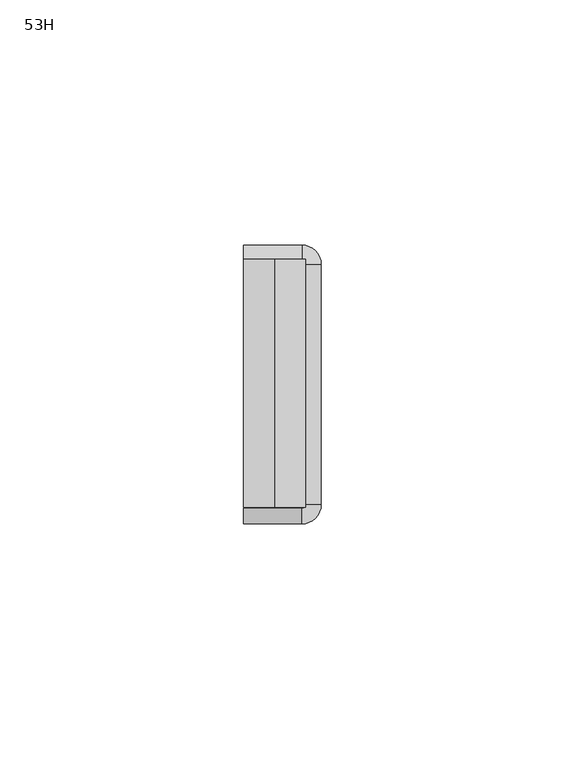
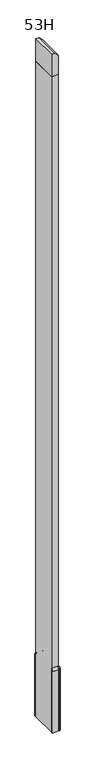
"""IFC4 building model written with IfcOpenShell, lengths in millimetres: furniture geometry, 53H."""

from ifc_helpers import new_model, si_unit, point, frame, origin, place, context, project, spatial, polyline, circle_curve, ellipse_curve, trimmed, outline, extrude, source, transform, mapped, element, save
from ifc_brep_helpers import plane_surface, cylinder_surface, revolved_surface, advanced_brep


def furniture_53h_36f4f35b(model_context):
    return source(origin(), model_context, "Body", "SolidModel", [
        advanced_brep(
        [(1984.8560512, -2420.1637877, 130.97002), (1984.8560512, -2420.1637877, 9.525), (1984.8560512, -2421.7512877, 9.525), (1984.8560512, -2421.7512877, 130.97002), (1984.8560512, -2423.3387877, 134.5628942), (1984.8560512, -2423.3387877, 136.525), (1996.7623012, -2420.1637877, 130.97002), (1996.7623012, -2420.1637877, 9.525), (2000.7310512, -2424.1325377, 9.525), (2000.7310512, -2473.3356635, 9.525), (1996.752927, -2477.3137877, 9.525), (1984.8560512, -2477.3137877, 9.525), (1984.8560512, -2475.7262877, 9.525), (1996.752927, -2475.7262877, 9.525), (1999.1435512, -2473.3356635, 9.525), (1999.1435512, -2424.1325377, 9.525), (1996.7623012, -2421.7512877, 9.525), (1996.7623012, -2421.7512877, 130.97002), (1996.7623012, -2423.3387877, 134.5628942), (1996.7623012, -2423.3387877, 136.525), (2000.7310512, -2424.1325377, 130.97002), (1999.1435512, -2424.1325377, 130.97002), (1997.5560512, -2424.1325377, 134.5628942), (1997.5560512, -2424.1325377, 136.525), (2000.7310512, -2473.3356635, 130.97002), (1999.1435512, -2473.3356635, 130.97002), (1997.5560512, -2473.3356635, 134.5628942), (1997.5560512, -2473.3356635, 136.525), (1996.752927, -2477.3137877, 130.97002), (1996.752927, -2475.7262877, 130.97002), (1996.752927, -2474.1387877, 134.5628942), (1996.752927, -2474.1387877, 136.525), (1984.8560512, -2477.3137877, 130.97002), (1984.8560512, -2474.1387877, 136.525), (1984.8560512, -2474.1387877, 134.5628942), (1984.8560512, -2475.7262877, 130.97002)],
        [
            (0, 1),
            (1, 2),
            (2, 3),
            (3, 4, circle_curve(frame((1984.8560512, -2426.6107842, 130.97002), z_axis=(1.0, 0.0, 0.0), x_axis=(0.0, 1.0, 0.0)), 4.8594965)),
            (4, 5),
            (5, 0, circle_curve(frame((1984.8560512, -2426.6107842, 130.97002), z_axis=(-1.0, 0.0, 0.0), x_axis=(0.0, 1.0, 0.0)), 6.4469965)),
            (0, 6),
            (6, 7),
            (7, 1),
            (7, 8, circle_curve(frame((1996.7623012, -2424.1325377, 9.525), z_axis=(0.0, 0.0, -1.0), x_axis=(0.0, 1.0, 0.0)), 3.96875)),
            (8, 9),
            (9, 10, circle_curve(frame((1996.752927, -2473.3356635, 9.525), z_axis=(0.0, 0.0, -1.0), x_axis=(1.0, 0.0, 0.0)), 3.9781242)),
            (10, 11),
            (11, 12),
            (12, 13),
            (13, 14, circle_curve(frame((1996.752927, -2473.3356635, 9.525), z_axis=(0.0, 0.0, 1.0), x_axis=(1.0, 0.0, 0.0)), 2.3906242)),
            (14, 15),
            (15, 16, circle_curve(frame((1996.7623012, -2424.1325377, 9.525), z_axis=(0.0, 0.0, 1.0), x_axis=(0.0, 1.0, 0.0)), 2.38125)),
            (16, 2),
            (16, 17),
            (17, 3),
            (17, 18, circle_curve(frame((1996.7623012, -2426.6107842, 130.97002), z_axis=(1.0, 0.0, 0.0), x_axis=(0.0, 1.0, 0.0)), 4.8594965)),
            (18, 4),
            (18, 19),
            (19, 5),
            (19, 6, circle_curve(frame((1996.7623012, -2426.6107842, 130.97002), z_axis=(-1.0, 0.0, 0.0), x_axis=(0.0, 1.0, 0.0)), 6.4469965)),
            (6, 20, circle_curve(frame((1996.7623012, -2424.1325377, 130.97002), z_axis=(0.0, 0.0, -1.0), x_axis=(0.0, 1.0, 0.0)), 3.96875)),
            (20, 8),
            (21, 17, circle_curve(frame((1996.7623012, -2424.1325377, 130.97002), z_axis=(0.0, 0.0, 1.0), x_axis=(0.0, 1.0, 0.0)), 2.38125)),
            (15, 21),
            (22, 18, circle_curve(frame((1996.7623012, -2424.1325377, 134.5628942), z_axis=(0.0, 0.0, 1.0), x_axis=(0.0, 1.0, 0.0)), 0.79375)),
            (21, 22, circle_curve(frame((1994.2840547, -2424.1325377, 130.97002), z_axis=(0.0, -1.0, 0.0), x_axis=(1.0, 0.0, 0.0)), 4.8594965)),
            (23, 19, circle_curve(frame((1996.7623012, -2424.1325377, 136.525), z_axis=(0.0, 0.0, 1.0), x_axis=(0.0, 1.0, 0.0)), 0.79375)),
            (22, 23),
            (23, 20, circle_curve(frame((1994.2840547, -2424.1325377, 130.97002), z_axis=(0.0, 1.0, 0.0), x_axis=(1.0, 0.0, 0.0)), 6.4469965)),
            (20, 24),
            (24, 9),
            (14, 25),
            (25, 21),
            (25, 26, circle_curve(frame((1994.2840547, -2473.3356635, 130.97002), z_axis=(0.0, -1.0, 0.0), x_axis=(1.0, 0.0, 0.0)), 4.8594965)),
            (26, 22),
            (26, 27),
            (27, 23),
            (27, 24, circle_curve(frame((1994.2840547, -2473.3356635, 130.97002), z_axis=(0.0, 1.0, 0.0), x_axis=(1.0, 0.0, 0.0)), 6.4469965)),
            (24, 28, circle_curve(frame((1996.752927, -2473.3356635, 130.97002), z_axis=(0.0, 0.0, -1.0), x_axis=(1.0, 0.0, 0.0)), 3.9781242)),
            (28, 10),
            (29, 25, circle_curve(frame((1996.752927, -2473.3356635, 130.97002), z_axis=(0.0, 0.0, 1.0), x_axis=(1.0, 0.0, 0.0)), 2.3906242)),
            (13, 29),
            (30, 26, circle_curve(frame((1996.752927, -2473.3356635, 134.5628942), z_axis=(0.0, 0.0, 1.0), x_axis=(1.0, 0.0, 0.0)), 0.8031242)),
            (29, 30, circle_curve(frame((1996.752927, -2470.8667912, 130.97002), z_axis=(-1.0, 0.0, 0.0), x_axis=(0.0, -1.0, 0.0)), 4.8594965)),
            (31, 27, circle_curve(frame((1996.752927, -2473.3356635, 136.525), z_axis=(0.0, 0.0, 1.0), x_axis=(1.0, 0.0, 0.0)), 0.8031242)),
            (30, 31),
            (31, 28, circle_curve(frame((1996.752927, -2470.8667912, 130.97002), z_axis=(1.0, 0.0, 0.0), x_axis=(0.0, -1.0, 0.0)), 6.4469965)),
            (32, 33, circle_curve(frame((1984.8560512, -2470.8667912, 130.97002), z_axis=(-1.0, 0.0, 0.0), x_axis=(0.0, -1.0, 0.0)), 6.4469965)),
            (33, 34),
            (34, 35, circle_curve(frame((1984.8560512, -2470.8667912, 130.97002), z_axis=(1.0, 0.0, 0.0), x_axis=(0.0, -1.0, 0.0)), 4.8594965)),
            (35, 12),
            (11, 32),
            (28, 32),
            (35, 29),
            (34, 30),
            (33, 31),
        ],
        [
            plane_surface(frame((1984.8560512, -2423.3387877, 0.0), z_axis=(-1.0, 0.0, 0.0), x_axis=(0.0, 0.0, 1.0))),
            plane_surface(frame((1984.8560512, -2420.1637877, 130.97002), z_axis=(0.0, 1.0, 0.0), x_axis=(1.0, 0.0, 0.0))),
            plane_surface(frame((1984.8560512, -2420.1637877, 9.525), z_axis=(0.0, 0.0, -1.0), x_axis=(1.0, 0.0, 0.0))),
            plane_surface(frame((1984.8560512, -2421.7512877, 9.525), z_axis=(0.0, -1.0, 0.0), x_axis=(1.0, 0.0, 0.0))),
            revolved_surface(polyline([(1996.7623012, -2421.7512877, 130.97002), (1984.8560512, -2421.7512877, 130.97002)]), (1984.8560512, -2426.6107842, 130.97002), (1.0, 0.0, 0.0)),
            plane_surface(frame((1984.8560512, -2423.3387877, 134.5628942), z_axis=(0.0, -1.0, 0.0), x_axis=(1.0, 0.0, 0.0))),
            cylinder_surface(frame((1984.8560512, -2426.6107842, 130.97002), z_axis=(-1.0, 0.0, 0.0), x_axis=(0.0, 1.0, 0.0)), 6.4469965),
            cylinder_surface(frame((1996.7623012, -2424.1325377, 0.0), z_axis=(0.0, 0.0, -1.0), x_axis=(0.0, 1.0, 0.0)), 3.96875),
            revolved_surface(polyline([(1996.7623012, -2421.7512877, 9.525), (1996.7623012, -2421.7512877, 130.97002)]), (1996.7623012, -2424.1325377, 0.0), (0.0, 0.0, -1.0)),
            revolved_surface(trimmed(ellipse_curve(frame((1996.7623012, -2426.6107842, 130.97002), z_axis=(1.0, 0.0, 0.0), x_axis=(0.0, 1.0, 0.0)), 4.8594965, 4.8594965), [point((1996.7623012, -2421.7512877, 130.97002))], [point((1996.7623012, -2423.3387877, 134.5628942))], True, "CARTESIAN"), (1996.7623012, -2424.1325377, 0.0), (0.0, 0.0, -1.0)),
            revolved_surface(polyline([(1996.7623012, -2423.3387877, 134.5628942), (1996.7623012, -2423.3387877, 136.525)]), (1996.7623012, -2424.1325377, 0.0), (0.0, 0.0, -1.0)),
            revolved_surface(trimmed(ellipse_curve(frame((1996.7623012, -2426.6107842, 130.97002), z_axis=(-1.0, 0.0, 0.0), x_axis=(0.0, 1.0, 0.0)), 6.4469965, 6.4469965), [point((1996.7623012, -2423.3387877, 136.525))], [point((1996.7623012, -2420.1637877, 130.97002))], True, "CARTESIAN"), (1996.7623012, -2424.1325377, 0.0), (0.0, 0.0, -1.0)),
            plane_surface(frame((2000.7310512, -2424.1325377, 130.97002), z_axis=(1.0, 0.0, 0.0), x_axis=(0.0, -1.0, 0.0))),
            plane_surface(frame((1999.1435512, -2424.1325377, 9.525), z_axis=(-1.0, 0.0, 0.0), x_axis=(0.0, -1.0, 0.0))),
            revolved_surface(polyline([(1999.1435512, -2473.3356635, 130.97002), (1999.1435512, -2424.1325377, 130.97002)]), (1994.2840547, -2424.1325377, 130.97002), (0.0, -1.0, 0.0)),
            plane_surface(frame((1997.5560512, -2424.1325377, 134.5628942), z_axis=(-1.0, 0.0, 0.0), x_axis=(0.0, -1.0, 0.0))),
            cylinder_surface(frame((1994.2840547, -2424.1325377, 130.97002), z_axis=(0.0, 1.0, 0.0), x_axis=(1.0, 0.0, 0.0)), 6.4469965),
            cylinder_surface(frame((1996.752927, -2473.3356635, 0.0), z_axis=(0.0, 0.0, -1.0), x_axis=(1.0, 0.0, 0.0)), 3.9781242),
            revolved_surface(polyline([(1999.1435512, -2473.3356635, 9.525), (1999.1435512, -2473.3356635, 130.97002)]), (1996.752927, -2473.3356635, 0.0), (0.0, 0.0, -1.0)),
            revolved_surface(trimmed(ellipse_curve(frame((1994.2840547, -2473.3356635, 130.97002), z_axis=(0.0, -1.0, 0.0), x_axis=(1.0, 0.0, 0.0)), 4.8594965, 4.8594965), [point((1999.1435512, -2473.3356635, 130.97002))], [point((1997.5560512, -2473.3356635, 134.5628942))], True, "CARTESIAN"), (1996.752927, -2473.3356635, 0.0), (0.0, 0.0, -1.0)),
            revolved_surface(polyline([(1997.5560512, -2473.3356635, 134.5628942), (1997.5560512, -2473.3356635, 136.525)]), (1996.752927, -2473.3356635, 0.0), (0.0, 0.0, -1.0)),
            revolved_surface(trimmed(ellipse_curve(frame((1994.2840547, -2473.3356635, 130.97002), z_axis=(0.0, 1.0, 0.0), x_axis=(1.0, 0.0, 0.0)), 6.4469965, 6.4469965), [point((1997.5560512, -2473.3356635, 136.525))], [point((2000.7310512, -2473.3356635, 130.97002))], True, "CARTESIAN"), (1996.752927, -2473.3356635, 0.0), (0.0, 0.0, -1.0)),
            plane_surface(frame((1984.8560512, -2474.1387877, 0.0), z_axis=(-1.0, 0.0, 0.0), x_axis=(0.0, 0.0, 1.0))),
            plane_surface(frame((1996.752927, -2477.3137877, 130.97002), z_axis=(0.0, -1.0, 0.0), x_axis=(-1.0, 0.0, 0.0))),
            plane_surface(frame((1996.752927, -2475.7262877, 9.525), z_axis=(0.0, 1.0, 0.0), x_axis=(-1.0, 0.0, 0.0))),
            revolved_surface(polyline([(1984.8560512, -2475.7262877000003, 130.97002), (1996.752927, -2475.7262877000003, 130.97002)]), (1996.752927, -2470.8667912, 130.97002), (-1.0, 0.0, 0.0)),
            plane_surface(frame((1996.752927, -2474.1387877, 134.5628942), z_axis=(0.0, 1.0, 0.0), x_axis=(-1.0, 0.0, 0.0))),
            cylinder_surface(frame((1996.752927, -2470.8667912, 130.97002), z_axis=(1.0, 0.0, 0.0), x_axis=(0.0, -1.0, 0.0)), 6.4469965),
        ],
        [
            (0, [[1, 2, 3, 4, 5, 6]]),
            (1, [[-1, 7, 8, 9]]),
            (2, [[-2, -9, 10, 11, 12, 13, 14, 15, 16, 17, 18, 19]]),
            (3, [[-3, -19, 20, 21]]),
            (4, [[-4, -21, 22, 23]]),
            (5, [[-5, -23, 24, 25]]),
            (6, [[-6, -25, 26, -7]]),
            (7, [[-10, -8, 27, 28]]),
            (8, [[29, -20, -18, 30]]),
            (9, [[31, -22, -29, 32]]),
            (10, [[33, -24, -31, 34]]),
            (11, [[-27, -26, -33, 35]]),
            (12, [[-28, 36, 37, -11]]),
            (13, [[-30, -17, 38, 39]]),
            (14, [[-32, -39, 40, 41]]),
            (15, [[-34, -41, 42, 43]]),
            (16, [[-35, -43, 44, -36]]),
            (17, [[-12, -37, 45, 46]]),
            (18, [[47, -38, -16, 48]]),
            (19, [[49, -40, -47, 50]]),
            (20, [[51, -42, -49, 52]]),
            (21, [[-45, -44, -51, 53]]),
            (22, [[54, 55, 56, 57, -14, 58]]),
            (23, [[-46, 59, -58, -13]]),
            (24, [[-48, -15, -57, 60]]),
            (25, [[-50, -60, -56, 61]]),
            (26, [[-52, -61, -55, 62]]),
            (27, [[-53, -62, -54, -59]]),
        ],
    ),
        extrude(outline(polyline([(1311.275, 1984.8560512), (1311.275, 1997.5560512), (1349.375, 1997.5560512), (1355.725, 1991.2060512), (1355.725, 1984.8560512), (1311.275, 1984.8560512)])), frame((0.0, -2474.1387877, 0.0), z_axis=(0.0, 1.0, 0.0), x_axis=(0.0, 0.0, 1.0)), (0.0, 0.0, 1.0), 50.8),
        extrude(outline(polyline([(1984.8560512, -2474.1387877), (1984.8560512, -2423.3387877), (1997.5560512, -2423.3387877), (1997.5560512, -2474.1387877), (1984.8560512, -2474.1387877)])), frame((0.0, 0.0, 9.525), z_axis=(0.0, 0.0, 1.0), x_axis=(1.0, 0.0, 0.0)), (0.0, 0.0, 1.0), 1301.75),
    ])


if __name__ == "__main__":
    model = new_model("IFC4")
    model_context = context("Model", 3, world=origin())
    ifc_project = project(units=[si_unit("LENGTHUNIT", "METRE", prefix="MILLI")], contexts=[model_context])
    site = spatial("IfcSite", under=ifc_project)
    building = spatial("IfcBuilding", under=site)
    placement = place(None, origin())
    furniture_53h_shape = furniture_53h_36f4f35b(model_context)
    element("IfcFurniture", 1, ObjectType="53H", at=placement, inside=building, context=model_context, shape_type="MappedRepresentation", body=[
        mapped(furniture_53h_shape, transform((0.0, 0.0, 0.0), x_axis=(1.0, 0.0, 0.0), y_axis=(0.0, 1.0, 0.0), z_axis=(0.0, 0.0, 1.0))),
    ])
    save(model, "model.ifc")
